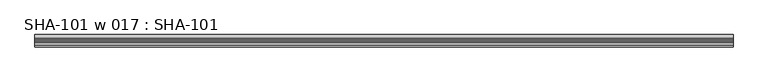
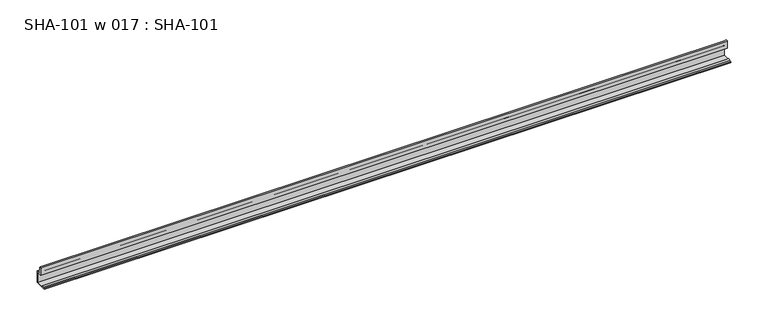
"""IFC4 building model written with IfcOpenShell, lengths in millimetres: proxy geometry, SHA-101 w 017 : SHA-101."""

from ifc_helpers import new_model, si_unit, point, frame, frame_2d, origin, place, context, project, spatial, polyline, circle_curve, trimmed, segment, composite_curve, outline, extrude, source, transform, mapped, element, save


def sha_101_w_017_sha_101_2d85c32b(model_context):
    return source(origin(), model_context, "Body", "SweptSolid", [
        extrude(outline(composite_curve([segment(polyline([(0.0, 0.0), (-18.9389581, 0.0), (-18.9389581, 1.5748), (-15.8623, 1.5748)]), True, "CONTINUOUS"), segment(trimmed(circle_curve(frame_2d((-14.2875, 1.5748)), 1.5748), [point((-15.8623, 1.5748))], [point((-12.7127, 1.5748))], False, "CARTESIAN"), True, "CONTINUOUS"), segment(polyline([(-12.7127, 1.5748), (-1.5748, 1.5748), (-1.5748, 16.1798)]), True, "CONTINUOUS"), segment(trimmed(circle_curve(frame_2d((-2.8448, 16.1798)), 1.27), [point((-1.5748, 16.1798))], [point((-2.8448, 17.4498))], True, "CARTESIAN"), True, "CONTINUOUS"), segment(polyline([(-2.8448, 17.4498), (-9.525, 17.4498), (-9.525, 29.5346031)]), True, "CONTINUOUS"), segment(trimmed(circle_curve(frame_2d((-8.3323235, 28.4438454)), 1.6162393), [point((-9.525, 29.5346031))], [point((-7.2036308, 29.6006869))], False, "CARTESIAN"), True, "CONTINUOUS"), segment(polyline([(-7.2036308, 29.6006869), (-5.392657, 19.0246), (0.0, 19.0246), (0.0, 0.0)]), True, "CONTINUOUS")], self_intersect=False)), frame((0.0, 0.0, 0.0), z_axis=(1.0, 0.0, 0.0), x_axis=(0.0, 1.0, 0.0)), (0.0, 0.0, 1.0), 1063.625),
    ])


if __name__ == "__main__":
    model = new_model("IFC4")
    model_context = context("Model", 3, world=origin())
    ifc_project = project(units=[si_unit("LENGTHUNIT", "METRE", prefix="MILLI")], contexts=[model_context])
    site = spatial("IfcSite", under=ifc_project)
    building = spatial("IfcBuilding", under=site)
    placement = place(None, origin())
    sha_101_w_017_sha_101_shape = sha_101_w_017_sha_101_2d85c32b(model_context)
    element("IfcBuildingElementProxy", 1, Name="SHA-101 w 017 : SHA-101", ObjectType="SHA-101 w 017 : SHA-101", at=placement, inside=building, context=model_context, shape_type="MappedRepresentation", body=[
        mapped(sha_101_w_017_sha_101_shape, transform((0.0, 0.0, 0.0), x_axis=(1.0, 0.0, 0.0), y_axis=(0.0, 1.0, 0.0), z_axis=(0.0, 0.0, 1.0))),
    ])
    save(model, "model.ifc")
